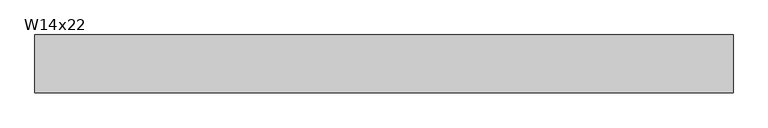
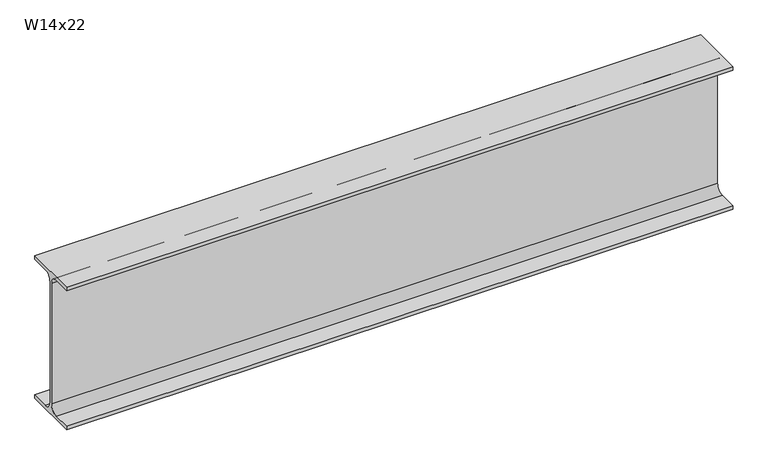
"""IFC4 building model written with IfcOpenShell, lengths in millimetres: beam geometry, W14x22."""

import ifcopenshell
import ifcopenshell.guid

model = None  # the IFC model being written
_history = None  # IfcOwnerHistory: only IFC2X3 demands one
_inside = {}  # id of a spatial element -> (the spatial element, [elements in it])
_under = {}  # id of a project, library or spatial element -> (it, [spatial elements below it])
_declared = {}  # id of a project -> (the project, [libraries it declares])
_typed = {}  # id of a type object -> (the type object, [elements of that type])
_made_of = {}  # id of a material, layer set ... -> (it, [elements and type objects made of it])


def new_model(schema):
    """Start an empty IFC model of exactly this schema.

    Asked for "IFC4X3", IfcOpenShell would pick the latest addendum, in which some entities
    have other attributes; the version numbers below select the first issue.
    IFC2X3 requires an IfcOwnerHistory on every rooted entity: one is made here for all.
    """
    global model, _history
    if schema == "IFC4X3":
        model = ifcopenshell.file(schema_version=(4, 3, 0, 0))
    else:
        model = ifcopenshell.file(schema=schema)
    _inside.clear()
    _under.clear()
    _declared.clear()
    _typed.clear()
    _made_of.clear()
    _history = None
    if model.schema == "IFC2X3":
        org = make("IfcOrganization", Name="unknown")
        user = make(
            "IfcPersonAndOrganization",
            ThePerson=make("IfcPerson", FamilyName="unknown"),
            TheOrganization=org,
        )
        app = make(
            "IfcApplication",
            ApplicationDeveloper=org,
            Version="unknown",
            ApplicationFullName="unknown",
            ApplicationIdentifier="unknown",
        )
        _history = make(
            "IfcOwnerHistory",
            OwningUser=user,
            OwningApplication=app,
            ChangeAction="ADDED",
            CreationDate=0,
        )
    return model


def make(cls, **values):
    """One entity of the class cls with the attributes given. An attribute that is None is left unset."""
    return model.create_entity(
        cls, **{name: value for name, value in values.items() if value is not None}
    )


def rooted(cls, **values):
    """An entity with a GlobalId (a new one), such as an element, a storey or a relation."""
    return make(cls, GlobalId=ifcopenshell.guid.new(), OwnerHistory=_history, **values)


def si_unit(unit_type, name, prefix=None):
    """IfcSIUnit, for example si_unit("LENGTHUNIT", "METRE", prefix="MILLI")."""
    return make("IfcSIUnit", UnitType=unit_type, Prefix=prefix, Name=name)


def assignment(units):
    """IfcUnitAssignment: the units of a project."""
    return None if units is None else make("IfcUnitAssignment", Units=units)


def point(xyz):
    """IfcCartesianPoint."""
    return None if xyz is None else make("IfcCartesianPoint", Coordinates=xyz)


def direction(xyz):
    """IfcDirection."""
    return None if xyz is None else make("IfcDirection", DirectionRatios=xyz)


def frame(location, z_axis=None, x_axis=None):
    """IfcAxis2Placement3D, a coordinate frame: its origin and axes. An axis left out is left unset."""
    return make(
        "IfcAxis2Placement3D",
        Location=point(location),
        Axis=direction(z_axis),
        RefDirection=direction(x_axis),
    )


def frame_2d(location, x_axis=None):
    """IfcAxis2Placement2D, a coordinate frame in the plane: its origin and x axis."""
    return make(
        "IfcAxis2Placement2D", Location=point(location), RefDirection=direction(x_axis)
    )


def origin():
    """The frame at (0, 0, 0) with its axes left unset."""
    return frame((0.0, 0.0, 0.0))


def place(relative_to, where):
    """IfcLocalPlacement: puts the frame where relative to a parent placement (None: the world)."""
    return make(
        "IfcLocalPlacement", PlacementRelTo=relative_to, RelativePlacement=where
    )


def context(
    kind, dimensions, precision=None, world=None, true_north=None, identifier=None
):
    """IfcGeometricRepresentationContext, for example the 3D "Model" context."""
    return make(
        "IfcGeometricRepresentationContext",
        ContextIdentifier=identifier,
        ContextType=kind,
        CoordinateSpaceDimension=dimensions,
        Precision=precision,
        WorldCoordinateSystem=world,
        TrueNorth=true_north,
    )


def project(units=None, contexts=None):
    """IfcProject with its units and contexts."""
    return rooted(
        "IfcProject",
        Name="project",
        RepresentationContexts=contexts,
        UnitsInContext=assignment(units),
    )


def spatial(cls, under=None, at=None, **own):
    """A site, building, storey or space (cls), placed at a placement, below another one or the project."""
    s = rooted(cls, ObjectPlacement=at, **own)
    if under is not None:
        _under.setdefault(under.id(), (under, []))[1].append(s)
    return s


def polyline(points):
    """IfcPolyline through the points."""
    return make("IfcPolyline", Points=[point(p) for p in points])


def circle_curve(where, radius):
    """IfcCircle in the frame where."""
    return make("IfcCircle", Position=where, Radius=radius)


def trimmed(basis, trim1, trim2, sense, master):
    """IfcTrimmedCurve: the piece of a basis curve between two trims."""
    return make(
        "IfcTrimmedCurve",
        BasisCurve=basis,
        Trim1=trim1,
        Trim2=trim2,
        SenseAgreement=sense,
        MasterRepresentation=master,
    )


def segment(curve, same_sense, transition):
    """IfcCompositeCurveSegment."""
    return make(
        "IfcCompositeCurveSegment",
        Transition=transition,
        SameSense=same_sense,
        ParentCurve=curve,
    )


def composite_curve(segments, self_intersect=None):
    """IfcCompositeCurve: segments joined end to end."""
    return make("IfcCompositeCurve", Segments=segments, SelfIntersect=self_intersect)


def outline(outer, holes=None, kind="AREA"):
    """IfcArbitraryClosedProfileDef: a profile drawn as a closed curve; with holes, ...WithVoids."""
    if holes is None:
        return make("IfcArbitraryClosedProfileDef", ProfileType=kind, OuterCurve=outer)
    return make(
        "IfcArbitraryProfileDefWithVoids",
        ProfileType=kind,
        OuterCurve=outer,
        InnerCurves=holes,
    )


def extrude(swept, where, along, depth):
    """IfcExtrudedAreaSolid: the profile swept, set in the frame where, extruded along a direction by depth."""
    return make(
        "IfcExtrudedAreaSolid",
        SweptArea=swept,
        Position=where,
        ExtrudedDirection=direction(along),
        Depth=depth,
    )


def shape(context_of_items, identifier, shape_type, items):
    """IfcShapeRepresentation: the items that make up one representation, for example the "Body"."""
    return make(
        "IfcShapeRepresentation",
        ContextOfItems=context_of_items,
        RepresentationIdentifier=identifier,
        RepresentationType=shape_type,
        Items=items,
    )


def source(mapping_origin, context_of_items, identifier, shape_type, items):
    """IfcRepresentationMap: a shape defined once, which mapped items show again and again."""
    return make(
        "IfcRepresentationMap",
        MappingOrigin=mapping_origin,
        MappedRepresentation=shape(context_of_items, identifier, shape_type, items),
    )


def transform(
    local_origin,
    x_axis=None,
    y_axis=None,
    z_axis=None,
    scale=None,
    scale2=None,
    scale3=None,
    uniform=True,
):
    """IfcCartesianTransformationOperator3D, or its non-uniform kind. x_axis, y_axis, z_axis: its Axis1, 2, 3."""
    if uniform:
        return make(
            "IfcCartesianTransformationOperator3D",
            Axis1=direction(x_axis),
            Axis2=direction(y_axis),
            LocalOrigin=point(local_origin),
            Scale=scale,
            Axis3=direction(z_axis),
        )
    return make(
        "IfcCartesianTransformationOperator3DnonUniform",
        Axis1=direction(x_axis),
        Axis2=direction(y_axis),
        LocalOrigin=point(local_origin),
        Scale=scale,
        Axis3=direction(z_axis),
        Scale2=scale2,
        Scale3=scale3,
    )


def mapped(mapping_source, mapping_target):
    """IfcMappedItem: shows the shape of a source again, moved by a transform."""
    return make(
        "IfcMappedItem", MappingSource=mapping_source, MappingTarget=mapping_target
    )


def made_of(thing, what):
    """Note that an element or type object is made of a material, layer set ...; save() writes the relation."""
    if what is not None:
        _made_of.setdefault(what.id(), (what, []))[1].append(thing)
    return thing


def element(
    cls,
    number,
    at=None,
    inside=None,
    cuts=None,
    type_object=None,
    material=None,
    context=None,
    identifier="Body",
    shape_type=None,
    held_by="IfcProductDefinitionShape",
    body=None,
    shapes=None,
    **own,
):
    """One element of the class cls, such as IfcWall. Its Tag is "e" and its number.

    at: its placement. inside: the storey or other place that contains it. cuts: it is an
    opening in that element (IfcRelVoidsElement). A single representation is given by context,
    identifier, shape_type and body (its items); several are given by shapes. held_by: the class
    of the entity that holds the representations. save() writes the other relations.
    """
    e = rooted(cls, Tag="e%d" % number, ObjectPlacement=at, **own)
    if body is not None:
        shapes = [shape(context, identifier, shape_type, body)]
    if shapes is not None:
        e.Representation = make(held_by, Representations=shapes)
    if inside is not None:
        _inside.setdefault(inside.id(), (inside, []))[1].append(e)
    if cuts is not None:
        rooted(
            "IfcRelVoidsElement", RelatingBuildingElement=cuts, RelatedOpeningElement=e
        )
    if type_object is not None:
        _typed.setdefault(type_object.id(), (type_object, []))[1].append(e)
    return made_of(e, material)


def aggregate(whole, parts):
    """IfcRelAggregates: a whole, such as a stair, and the parts it consists of."""
    return rooted("IfcRelAggregates", RelatingObject=whole, RelatedObjects=parts)


def save(model, path):
    """Write the relations noted so far, then the file.

    IfcRelAggregates (storeys below a building ...), IfcRelContainedInSpatialStructure (elements
    in a storey), IfcRelDefinesByType, IfcRelAssociatesMaterial and IfcRelDeclares: one each for
    every whole, place, type object, material and project.
    """
    for whole, parts in _under.values():
        aggregate(whole, parts)
    for where, things in _inside.values():
        rooted(
            "IfcRelContainedInSpatialStructure",
            RelatedElements=things,
            RelatingStructure=where,
        )
    for kind, things in _typed.values():
        rooted("IfcRelDefinesByType", RelatedObjects=things, RelatingType=kind)
    for what, things in _made_of.values():
        rooted("IfcRelAssociatesMaterial", RelatedObjects=things, RelatingMaterial=what)
    for by, libraries in _declared.values():
        rooted("IfcRelDeclares", RelatingContext=by, RelatedDefinitions=libraries)
    model.write(path)


def w14x22_7422b7e6(model_context):
    return source(origin(), model_context, "Body", "SweptSolid", [
        extrude(outline(composite_curve([segment(polyline([(63.5, -165.481), (63.5, -173.99), (-63.5, -173.99), (-63.5, -165.481), (-21.3995, -165.481)]), True, "CONTINUOUS"), segment(trimmed(circle_curve(frame_2d((-21.3995, -147.0025)), 18.4785), [point((-21.3995, -165.481))], [point((-2.921, -147.0025))], True, "CARTESIAN"), True, "CONTINUOUS"), segment(polyline([(-2.921, -147.0025), (-2.921, 147.0025)]), True, "CONTINUOUS"), segment(trimmed(circle_curve(frame_2d((-21.3995, 147.0025)), 18.4785), [point((-2.921, 147.0025))], [point((-21.3995, 165.481))], True, "CARTESIAN"), True, "CONTINUOUS"), segment(polyline([(-21.3995, 165.481), (-63.5, 165.481), (-63.5, 173.99), (63.5, 173.99), (63.5, 165.481), (21.3995, 165.481)]), True, "CONTINUOUS"), segment(trimmed(circle_curve(frame_2d((21.3995, 147.0025)), 18.4785), [point((21.3995, 165.481))], [point((2.921, 147.0025))], True, "CARTESIAN"), True, "CONTINUOUS"), segment(polyline([(2.921, 147.0025), (2.921, -147.0025)]), True, "CONTINUOUS"), segment(trimmed(circle_curve(frame_2d((21.3995, -147.0025)), 18.4785), [point((2.921, -147.0025))], [point((21.3995, -165.481))], True, "CARTESIAN"), True, "CONTINUOUS"), segment(polyline([(21.3995, -165.481), (63.5, -165.481)]), True, "CONTINUOUS")], self_intersect=False)), frame((-734.3192453, 0.0, 0.0), z_axis=(1.0, 0.0, 0.0), x_axis=(0.0, 1.0, 0.0)), (0.0, 0.0, 1.0), 1536.1132617),
    ])


if __name__ == "__main__":
    model = new_model("IFC4")
    model_context = context("Model", 3, world=origin())
    ifc_project = project(units=[si_unit("LENGTHUNIT", "METRE", prefix="MILLI")], contexts=[model_context])
    site = spatial("IfcSite", under=ifc_project)
    building = spatial("IfcBuilding", under=site)
    placement = place(None, origin())
    w14x22_shape = w14x22_7422b7e6(model_context)
    element("IfcBeam", 1, ObjectType="W14x22", at=placement, inside=building, context=model_context, shape_type="MappedRepresentation", body=[
        mapped(w14x22_shape, transform((0.0, 0.0, 0.0), x_axis=(1.0, 0.0, 0.0), y_axis=(0.0, 1.0, 0.0), z_axis=(0.0, 0.0, 1.0))),
    ])
    save(model, "model.ifc")
